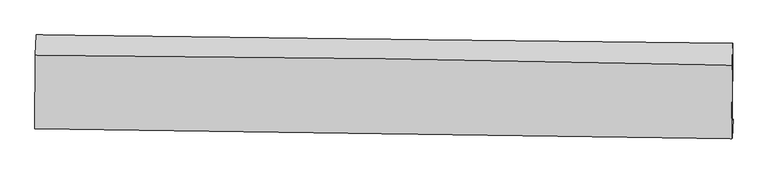
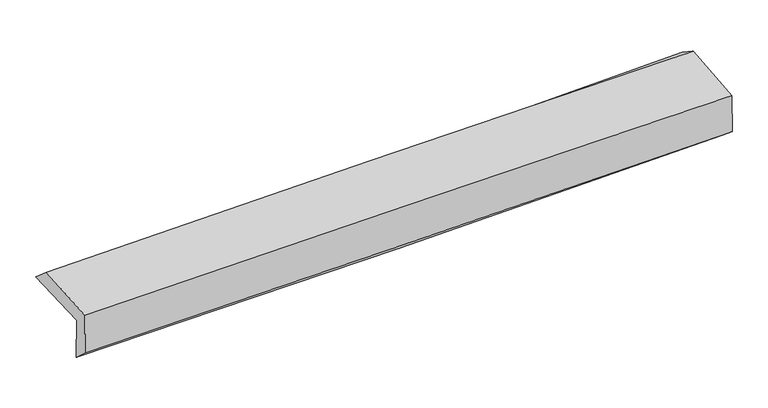
"""IFC4 building model written with IfcOpenShell, lengths in millimetres: proxy geometry."""

from ifc_helpers import new_model, si_unit, frame, origin, place, context, project, spatial, source, transform, mapped, element, save
from ifc_brep_helpers import plane_surface, spline_curve, spline_surface, advanced_brep


def generic_models_ff63c852(model_context):
    return source(origin(), model_context, "Body", "AdvancedBrep", [
        advanced_brep(
        [(-3037.3079361, -1764.861554, 1941.7929067), (-3031.5338378, -1091.6838645, 1967.2656625), (3024.3829651, -1164.7818432, 2135.7898488), (3016.8613186, -1834.1821031, 2106.2960708), (-3028.3288214, -1744.1153272, 1557.1869259), (3026.0481281, -1824.9328577, 1706.3340286), (-3033.0141125, -1897.9739457, 1698.7394555), (3020.8282958, -1991.5963045, 1846.5311658), (-3041.784574, -1907.215207, 2078.9653121), (3012.569257, -1994.9754004, 2208.763568), (-3036.7681146, -1270.1191349, 2122.6967744), (3019.1835733, -1353.618558, 2263.1267023)],
        [
            (0, 1),
            (1, 2, spline_curve(3, [(-3031.5338378, -1091.6838645, 1967.2656625), (-2021.758609271, -1103.29411782, 1972.747800211), (-1012.255082147, -1115.190188341, 1989.530348943), (1006.383946798, -1139.55608193, 2045.70115029), (2015.519353527, -1152.026004212, 2085.09332977), (3024.3829651, -1164.7818432, 2135.7898488)], [4, 2, 4], [0.0, 9.93671507856809, 19.875156880174195])),
            (2, 3),
            (3, 0, spline_curve(3, [(3016.8613186, -1834.1821031, 2106.2960708), (2008.077253984, -1813.540493835, 2070.319171534), (999.127271406, -1797.44286962, 2038.621305792), (-1018.929204766, -1774.337598931, 1983.788404606), (-2028.035640163, -1767.328373328, 1960.651882378), (-3037.3079361, -1764.861554, 1941.7929067)], [4, 2, 4], [0.0, 9.938441801606105, 19.875156880174195])),
            (4, 0),
            (3, 5),
            (5, 4, spline_curve(3, [(3026.0481281, -1824.9328577, 1706.3340286), (2017.463336284, -1802.757864266, 1662.719633194), (1008.595670684, -1784.935366405, 1628.483244931), (-1009.530077625, -1757.997702098, 1578.770802609), (-2018.788061558, -1748.881022948, 1563.291489904), (-3028.3288214, -1744.1153272, 1557.1869259)], [4, 2, 4], [0.0, 9.936830909131945, 19.871935375105277])),
            (6, 4),
            (5, 7),
            (7, 6, spline_curve(3, [(3020.8282958, -1991.5963045, 1846.5311658), (2011.940374093, -1977.144242463, 1816.137588407), (1002.965709531, -1962.115620302, 1788.624004047), (-1014.981790158, -1930.907967371, 1739.361101038), (-2023.954594795, -1914.729136231, 1717.610782284), (-3033.0141125, -1897.9739457, 1698.7394555)], [4, 2, 4], [0.0, 9.936361610833533, 19.870996860045196])),
            (8, 6),
            (7, 9),
            (9, 8, spline_curve(3, [(3012.569257, -1994.9754004, 2208.763568), (2003.434948185, -1979.970494386, 2189.057866025), (994.294474649, -1965.154072909, 2168.387470174), (-1023.823471468, -1935.900740376, 2125.121049546), (-2032.800941489, -1921.463764248, 2102.525360095), (-3041.784574, -1907.215207, 2078.9653121)], [4, 2, 4], [0.0, 9.935855455364823, 19.86998463704815])),
            (10, 8),
            (9, 11),
            (11, 10, spline_curve(3, [(3019.1835733, -1353.618558, 2263.1267023), (2009.905714715, -1332.409730232, 2238.690952767), (1000.560294714, -1314.846743667, 2214.769611951), (-1018.090291258, -1287.014869124, 2167.959814612), (-2027.395433873, -1276.744715005, 2145.071179464), (-3036.7681146, -1270.1191349, 2122.6967744)], [4, 2, 4], [0.0, 9.937343530953058, 19.87296052968365])),
            (1, 10),
            (11, 2),
        ],
        [
            spline_surface(3, 3, [[(-3037.3079361, -1764.861554, 1941.7929067), (-2028.035640171, -1767.328373324, 1960.651882371), (-1018.929204627, -1774.337598841, 1983.788404556), (999.127271267, -1797.442869709, 2038.621305842), (2008.077253933, -1813.540493909, 2070.319171656), (3016.8613186, -1834.1821031, 2106.2960708)], [(-3035.38323666, -1540.468990827, 1950.283825292), (-2025.943296568, -1545.983621432, 1964.683854923), (-1016.70449709, -1554.621795354, 1985.702386049), (1001.546163087, -1578.147273786, 2040.981253927), (2010.557953839, -1593.035663985, 2075.243891048), (3019.368534102, -1611.048683138, 2116.127330136)], [(-3033.45853724, -1316.076427673, 1958.774743908), (-2023.850952986, -1324.638869558, 1968.715827497), (-1014.479789582, -1334.905991843, 1987.616367592), (1003.965054877, -1358.851677839, 2043.341202063), (2013.03865374, -1372.530834046, 2080.16861043), (3021.875749598, -1387.915263162, 2125.958589464)], [(-3031.5338378, -1091.6838645, 1967.2656625), (-2021.758609384, -1103.294117667, 1972.747800049), (-1012.255082045, -1115.190188356, 1989.530349085), (1006.383946697, -1139.556081915, 2045.701150148), (2015.519353646, -1152.026004122, 2085.093329822), (3024.3829651, -1164.7818432, 2135.7898488)]], [4, 4], [4, 2, 4], [0.0, 2.160712046955914], [0.0, 9.93671507856809, 19.875156880174195]),
            spline_surface(3, 3, [[(-3028.3288214, -1744.1153272, 1557.1869259), (-2018.788061554, -1748.88102303, 1563.291489769), (-1009.530077541, -1757.997701975, 1578.770802528), (1008.595670599, -1784.935366528, 1628.483245012), (2017.463336377, -1802.757864397, 1662.719633143), (3026.0481281, -1824.9328577, 1706.3340286)], [(-3031.321859616, -1751.030736129, 1685.388919499), (-2021.870587742, -1755.03013979, 1695.744953969), (-1012.663119901, -1763.444334256, 1713.776669858), (1005.43953749, -1789.104534248, 1765.195931942), (2014.334642236, -1806.352074211, 1798.586145993), (3022.985858274, -1828.015939477, 1839.654709345)], [(-3034.314897884, -1757.946145071, 1813.590913101), (-2024.953113982, -1761.179256564, 1828.198418171), (-1015.796162266, -1768.89096656, 1848.782537227), (1002.283404376, -1793.27370199, 1901.908618912), (2011.205948074, -1809.946284095, 1934.452658806), (3019.923588426, -1831.099021323, 1972.975390055)], [(-3037.3079361, -1764.861554, 1941.7929067), (-2028.035640171, -1767.328373324, 1960.651882371), (-1018.929204627, -1774.337598841, 1983.788404556), (999.127271267, -1797.442869709, 2038.621305842), (2008.077253933, -1813.540493909, 2070.319171656), (3016.8613186, -1834.1821031, 2106.2960708)]], [4, 4], [4, 2, 4], [0.0, 1.3383940183609255], [0.0, 9.935104465973332, 19.871935375105277]),
            spline_surface(3, 3, [[(-3033.0141125, -1897.9739457, 1698.7394555), (-2023.95459482, -1914.729136363, 1717.610782142), (-1014.981790103, -1930.907967206, 1739.36110117), (1002.965709475, -1962.115620467, 1788.624003915), (2011.940374181, -1977.144242558, 1816.13758837), (3020.8282958, -1991.5963045, 1846.5311658)], [(-3031.452348815, -1846.68773952, 1651.555278951), (-2022.23241708, -1859.446431906, 1666.171018002), (-1013.164552579, -1873.271212132, 1685.831001626), (1004.842363187, -1903.055535823, 1735.24375095), (2013.78136158, -1919.015449835, 1764.998269975), (3022.568239901, -1936.041822231, 1799.798786748)], [(-3029.890585085, -1795.40153338, 1604.371102449), (-2020.510239294, -1804.163727487, 1614.731253909), (-1011.347315065, -1815.634457049, 1632.300902073), (1006.719016888, -1843.995451172, 1681.863497977), (2015.622348978, -1860.88665712, 1713.858951538), (3024.308183999, -1880.487339969, 1753.066407652)], [(-3028.3288214, -1744.1153272, 1557.1869259), (-2018.788061554, -1748.88102303, 1563.291489769), (-1009.530077541, -1757.997701975, 1578.770802528), (1008.595670599, -1784.935366528, 1628.483245012), (2017.463336377, -1802.757864397, 1662.719633143), (3026.0481281, -1824.9328577, 1706.3340286)]], [4, 4], [4, 2, 4], [0.0, 0.7790786895014338], [0.0, 9.934635249211663, 19.870996860045196]),
            spline_surface(3, 3, [[(-3041.784574, -1907.215207, 2078.9653121), (-2032.800941339, -1921.463764182, 2102.525360205), (-1023.823471314, -1935.900740488, 2125.121049613), (994.294474495, -1965.154072796, 2168.387470107), (2003.434948137, -1979.970494294, 2189.057865984), (3012.569257, -1994.9754004, 2208.763568)], [(-3038.861086831, -1904.134786573, 1952.223359924), (-2029.852159164, -1919.218888248, 1974.220500875), (-1020.876244254, -1934.236482732, 1996.534400146), (997.184886144, -1964.141255358, 2041.799648057), (2006.270090159, -1979.02841039, 2064.751106772), (3015.322269941, -1993.849035108, 2088.019433926)], [(-3035.937599669, -1901.054366127, 1825.481407676), (-2026.903376995, -1916.974012296, 1845.915641472), (-1017.929017162, -1932.572224962, 1867.947750637), (1000.075297826, -1963.128437905, 1915.211825965), (2009.105232159, -1978.086326462, 1940.444347582), (3018.075282859, -1992.722669792, 1967.275299874)], [(-3033.0141125, -1897.9739457, 1698.7394555), (-2023.95459482, -1914.729136363, 1717.610782142), (-1014.981790103, -1930.907967206, 1739.36110117), (1002.965709475, -1962.115620467, 1788.624003915), (2011.940374181, -1977.144242558, 1816.13758837), (3020.8282958, -1991.5963045, 1846.5311658)]], [4, 4], [4, 2, 4], [0.0, 1.2561758210150706], [0.0, 9.934129181683328, 19.86998463704815]),
            spline_surface(3, 3, [[(-3036.7681146, -1270.1191349, 2122.6967744), (-2027.395433889, -1276.74471507, 2145.071179473), (-1018.090291332, -1287.014869255, 2167.959814657), (1000.560294788, -1314.846743536, 2214.769611906), (2009.90571484, -1332.409730369, 2238.690952659), (3019.1835733, -1353.618558, 2263.1267023)], [(-3038.440267729, -1482.484492274, 2108.119620287), (-2029.197269701, -1491.651064781, 2130.889239704), (-1020.001351323, -1503.310159679, 2153.680226318), (998.471688027, -1531.615853302, 2199.308897981), (2007.748792597, -1548.263318342, 2222.146590413), (3016.978801192, -1567.404172131, 2245.005657512)], [(-3040.112420871, -1694.849849626, 2093.542466213), (-2030.999105526, -1706.557414471, 2116.707299974), (-1021.912411323, -1719.605450064, 2139.400637953), (996.383081256, -1748.38496303, 2183.848184032), (2005.59187038, -1764.116906321, 2205.60222823), (3014.774029108, -1781.189786269, 2226.884612788)], [(-3041.784574, -1907.215207, 2078.9653121), (-2032.800941339, -1921.463764182, 2102.525360205), (-1023.823471314, -1935.900740488, 2125.121049613), (994.294474495, -1965.154072796, 2168.387470107), (2003.434948137, -1979.970494294, 2189.057865984), (3012.569257, -1994.9754004, 2208.763568)]], [4, 4], [4, 2, 4], [0.0, 2.1363332461265387], [0.0, 9.935616998730591, 19.87296052968365]),
            spline_surface(3, 3, [[(-3031.5338378, -1091.6838645, 1967.2656625), (-2021.758609384, -1103.294117667, 1972.747800049), (-1012.255082045, -1115.190188356, 1989.530349085), (1006.383946697, -1139.556081915, 2045.701150148), (2015.519353646, -1152.026004122, 2085.093329822), (3024.3829651, -1164.7818432, 2135.7898488)], [(-3033.278596748, -1151.162287976, 2019.076033146), (-2023.6375509, -1161.110983478, 2030.188926536), (-1014.200151815, -1172.465081967, 2049.006837614), (1004.442729387, -1197.986302434, 2102.057304072), (2013.648140702, -1212.153912885, 2136.292537434), (3022.649834492, -1227.727414815, 2178.235466633)], [(-3035.023355652, -1210.640711424, 2070.886403754), (-2025.516492372, -1218.927849259, 2087.630052986), (-1016.145221563, -1229.739975643, 2108.483326128), (1002.501512098, -1256.416523017, 2158.413457981), (2011.776927784, -1272.281821605, 2187.491745047), (3020.916703908, -1290.672986385, 2220.681084467)], [(-3036.7681146, -1270.1191349, 2122.6967744), (-2027.395433889, -1276.74471507, 2145.071179473), (-1018.090291332, -1287.014869255, 2167.959814657), (1000.560294788, -1314.846743536, 2214.769611906), (2009.90571484, -1332.409730369, 2238.690952659), (3019.1835733, -1353.618558, 2263.1267023)]], [4, 4], [4, 2, 4], [0.0, 0.80594399115017], [0.0, 9.937661852239813, 19.877050592040415]),
            plane_surface(frame((3019.978923, -1694.0145112, 2044.4735641), z_axis=(0.9996679733587489, -0.012231889453863058, 0.02267871074819577), x_axis=(0.02279347124159467, 0.009325700769384817, -0.9996966984910566))),
            plane_surface(frame((-3034.7895661, -1612.6615056, 1894.4411728), z_axis=(-0.999694804834895, 0.00943863625916248, -0.022830009454409005), x_axis=(-0.008570927311575003, -0.999248146473183, -0.03781112237064504))),
        ],
        [
            (0, [[1, 2, 3, 4]]),
            (1, [[5, -4, 6, 7]]),
            (2, [[8, -7, 9, 10]]),
            (3, [[11, -10, 12, 13]]),
            (4, [[14, -13, 15, 16]]),
            (5, [[17, -16, 18, -2]]),
            (6, [[-12, -9, -6, -3, -18, -15]]),
            (7, [[-1, -5, -8, -11, -14, -17]]),
        ],
    ),
    ])


if __name__ == "__main__":
    model = new_model("IFC4")
    model_context = context("Model", 3, world=origin())
    ifc_project = project(units=[si_unit("LENGTHUNIT", "METRE", prefix="MILLI")], contexts=[model_context])
    site = spatial("IfcSite", under=ifc_project)
    building = spatial("IfcBuilding", under=site)
    placement = place(None, origin())
    generic_models_shape = generic_models_ff63c852(model_context)
    element("IfcBuildingElementProxy", 1, Name="Generic Models", at=placement, inside=building, context=model_context, shape_type="MappedRepresentation", body=[
        mapped(generic_models_shape, transform((0.0, 0.0, 0.0), x_axis=(1.0, 0.0, 0.0), y_axis=(0.0, 1.0, 0.0), z_axis=(0.0, 0.0, 1.0))),
    ])
    save(model, "model.ifc")
